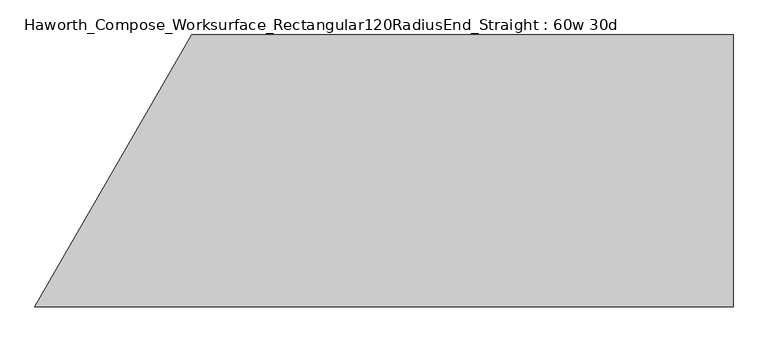
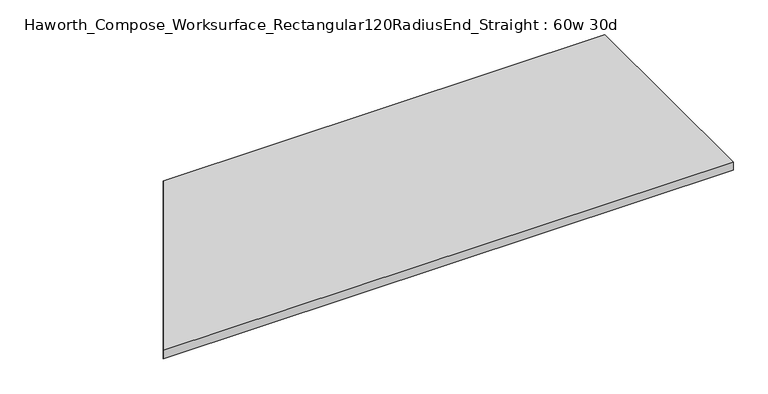
"""IFC4 building model written with IfcOpenShell, lengths in millimetres: furniture geometry, Haworth_Compose_Worksurface_Rectangular120RadiusEnd_Straight : 60w 30d."""

from ifc_helpers import new_model, si_unit, frame, origin, place, context, project, spatial, polyline, outline, extrude, source, transform, mapped, element, save


def haworth_compose_worksurface_rectangular120radiusend_straight_af4039a4(model_context):
    return source(origin(), model_context, "Body", "SweptSolid", [
        extrude(outline(polyline([(762.0, -381.0), (-1195.533987, -381.0), (-755.6127389, 381.0), (762.0, 381.0), (762.0, -381.0)])), frame((0.0, 0.0, 706.4375), z_axis=(0.0, 0.0, 1.0), x_axis=(1.0, 0.0, 0.0)), (0.0, 0.0, 1.0), 30.1625),
    ])


if __name__ == "__main__":
    model = new_model("IFC4")
    model_context = context("Model", 3, world=origin())
    ifc_project = project(units=[si_unit("LENGTHUNIT", "METRE", prefix="MILLI")], contexts=[model_context])
    site = spatial("IfcSite", under=ifc_project)
    building = spatial("IfcBuilding", under=site)
    placement = place(None, origin())
    haworth_compose_worksurface_rectangular120radiusend_straight_shape = haworth_compose_worksurface_rectangular120radiusend_straight_af4039a4(model_context)
    element("IfcFurniture", 1, ObjectType="Haworth_Compose_Worksurface_Rectangular120RadiusEnd_Straight : 60w 30d", at=placement, inside=building, context=model_context, shape_type="MappedRepresentation", body=[
        mapped(haworth_compose_worksurface_rectangular120radiusend_straight_shape, transform((0.0, 0.0, 0.0), x_axis=(1.0, 0.0, 0.0), y_axis=(0.0, 1.0, 0.0), z_axis=(0.0, 0.0, 1.0))),
    ])
    save(model, "model.ifc")
